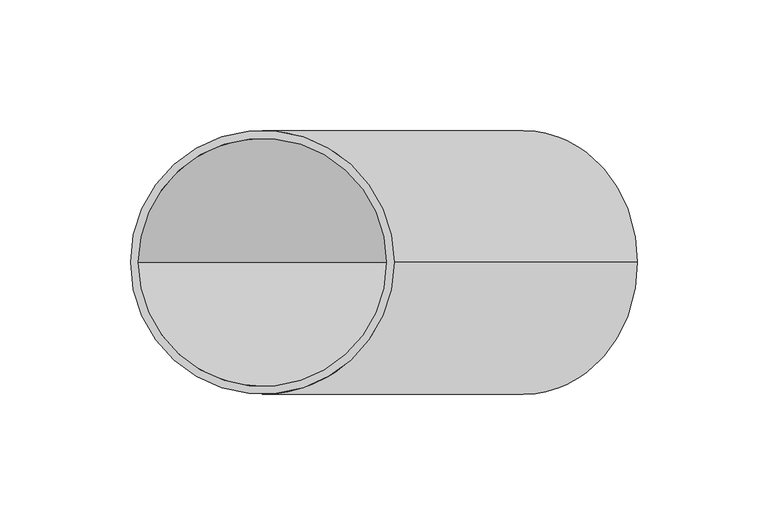
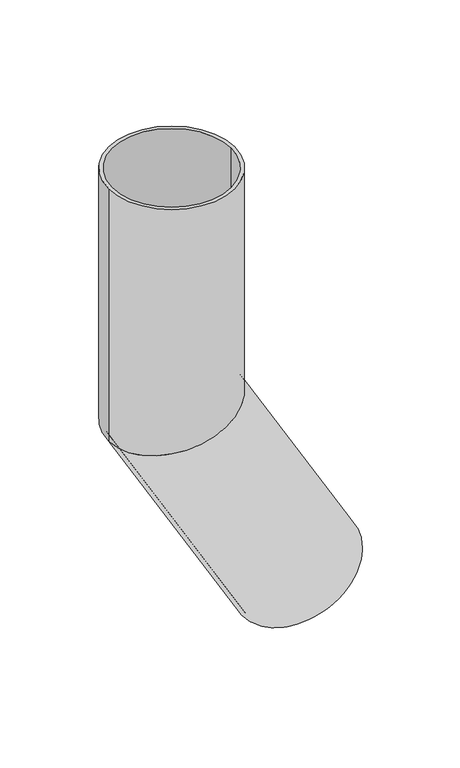
"""IFC4 building model written with IfcOpenShell, lengths in millimetres: beam geometry."""

import ifcopenshell
import ifcopenshell.guid

model = None  # the IFC model being written
_history = None  # IfcOwnerHistory: only IFC2X3 demands one
_inside = {}  # id of a spatial element -> (the spatial element, [elements in it])
_under = {}  # id of a project, library or spatial element -> (it, [spatial elements below it])
_declared = {}  # id of a project -> (the project, [libraries it declares])
_typed = {}  # id of a type object -> (the type object, [elements of that type])
_made_of = {}  # id of a material, layer set ... -> (it, [elements and type objects made of it])


def new_model(schema):
    """Start an empty IFC model of exactly this schema.

    Asked for "IFC4X3", IfcOpenShell would pick the latest addendum, in which some entities
    have other attributes; the version numbers below select the first issue.
    IFC2X3 requires an IfcOwnerHistory on every rooted entity: one is made here for all.
    """
    global model, _history
    if schema == "IFC4X3":
        model = ifcopenshell.file(schema_version=(4, 3, 0, 0))
    else:
        model = ifcopenshell.file(schema=schema)
    _inside.clear()
    _under.clear()
    _declared.clear()
    _typed.clear()
    _made_of.clear()
    _history = None
    if model.schema == "IFC2X3":
        org = make("IfcOrganization", Name="unknown")
        user = make(
            "IfcPersonAndOrganization",
            ThePerson=make("IfcPerson", FamilyName="unknown"),
            TheOrganization=org,
        )
        app = make(
            "IfcApplication",
            ApplicationDeveloper=org,
            Version="unknown",
            ApplicationFullName="unknown",
            ApplicationIdentifier="unknown",
        )
        _history = make(
            "IfcOwnerHistory",
            OwningUser=user,
            OwningApplication=app,
            ChangeAction="ADDED",
            CreationDate=0,
        )
    return model


def make(cls, **values):
    """One entity of the class cls with the attributes given. An attribute that is None is left unset."""
    return model.create_entity(
        cls, **{name: value for name, value in values.items() if value is not None}
    )


def rooted(cls, **values):
    """An entity with a GlobalId (a new one), such as an element, a storey or a relation."""
    return make(cls, GlobalId=ifcopenshell.guid.new(), OwnerHistory=_history, **values)


def si_unit(unit_type, name, prefix=None):
    """IfcSIUnit, for example si_unit("LENGTHUNIT", "METRE", prefix="MILLI")."""
    return make("IfcSIUnit", UnitType=unit_type, Prefix=prefix, Name=name)


def assignment(units):
    """IfcUnitAssignment: the units of a project."""
    return None if units is None else make("IfcUnitAssignment", Units=units)


def point(xyz):
    """IfcCartesianPoint."""
    return None if xyz is None else make("IfcCartesianPoint", Coordinates=xyz)


def direction(xyz):
    """IfcDirection."""
    return None if xyz is None else make("IfcDirection", DirectionRatios=xyz)


def frame(location, z_axis=None, x_axis=None):
    """IfcAxis2Placement3D, a coordinate frame: its origin and axes. An axis left out is left unset."""
    return make(
        "IfcAxis2Placement3D",
        Location=point(location),
        Axis=direction(z_axis),
        RefDirection=direction(x_axis),
    )


def origin():
    """The frame at (0, 0, 0) with its axes left unset."""
    return frame((0.0, 0.0, 0.0))


def place(relative_to, where):
    """IfcLocalPlacement: puts the frame where relative to a parent placement (None: the world)."""
    return make(
        "IfcLocalPlacement", PlacementRelTo=relative_to, RelativePlacement=where
    )


def context(
    kind, dimensions, precision=None, world=None, true_north=None, identifier=None
):
    """IfcGeometricRepresentationContext, for example the 3D "Model" context."""
    return make(
        "IfcGeometricRepresentationContext",
        ContextIdentifier=identifier,
        ContextType=kind,
        CoordinateSpaceDimension=dimensions,
        Precision=precision,
        WorldCoordinateSystem=world,
        TrueNorth=true_north,
    )


def project(units=None, contexts=None):
    """IfcProject with its units and contexts."""
    return rooted(
        "IfcProject",
        Name="project",
        RepresentationContexts=contexts,
        UnitsInContext=assignment(units),
    )


def spatial(cls, under=None, at=None, **own):
    """A site, building, storey or space (cls), placed at a placement, below another one or the project."""
    s = rooted(cls, ObjectPlacement=at, **own)
    if under is not None:
        _under.setdefault(under.id(), (under, []))[1].append(s)
    return s


def polyline(points):
    """IfcPolyline through the points."""
    return make("IfcPolyline", Points=[point(p) for p in points])


def circle_curve(where, radius):
    """IfcCircle in the frame where."""
    return make("IfcCircle", Position=where, Radius=radius)


def ellipse_curve(where, semi_axis1, semi_axis2):
    """IfcEllipse in the frame where."""
    return make(
        "IfcEllipse", Position=where, SemiAxis1=semi_axis1, SemiAxis2=semi_axis2
    )


def shape(context_of_items, identifier, shape_type, items):
    """IfcShapeRepresentation: the items that make up one representation, for example the "Body"."""
    return make(
        "IfcShapeRepresentation",
        ContextOfItems=context_of_items,
        RepresentationIdentifier=identifier,
        RepresentationType=shape_type,
        Items=items,
    )


def source(mapping_origin, context_of_items, identifier, shape_type, items):
    """IfcRepresentationMap: a shape defined once, which mapped items show again and again."""
    return make(
        "IfcRepresentationMap",
        MappingOrigin=mapping_origin,
        MappedRepresentation=shape(context_of_items, identifier, shape_type, items),
    )


def transform(
    local_origin,
    x_axis=None,
    y_axis=None,
    z_axis=None,
    scale=None,
    scale2=None,
    scale3=None,
    uniform=True,
):
    """IfcCartesianTransformationOperator3D, or its non-uniform kind. x_axis, y_axis, z_axis: its Axis1, 2, 3."""
    if uniform:
        return make(
            "IfcCartesianTransformationOperator3D",
            Axis1=direction(x_axis),
            Axis2=direction(y_axis),
            LocalOrigin=point(local_origin),
            Scale=scale,
            Axis3=direction(z_axis),
        )
    return make(
        "IfcCartesianTransformationOperator3DnonUniform",
        Axis1=direction(x_axis),
        Axis2=direction(y_axis),
        LocalOrigin=point(local_origin),
        Scale=scale,
        Axis3=direction(z_axis),
        Scale2=scale2,
        Scale3=scale3,
    )


def mapped(mapping_source, mapping_target):
    """IfcMappedItem: shows the shape of a source again, moved by a transform."""
    return make(
        "IfcMappedItem", MappingSource=mapping_source, MappingTarget=mapping_target
    )


def made_of(thing, what):
    """Note that an element or type object is made of a material, layer set ...; save() writes the relation."""
    if what is not None:
        _made_of.setdefault(what.id(), (what, []))[1].append(thing)
    return thing


def element(
    cls,
    number,
    at=None,
    inside=None,
    cuts=None,
    type_object=None,
    material=None,
    context=None,
    identifier="Body",
    shape_type=None,
    held_by="IfcProductDefinitionShape",
    body=None,
    shapes=None,
    **own,
):
    """One element of the class cls, such as IfcWall. Its Tag is "e" and its number.

    at: its placement. inside: the storey or other place that contains it. cuts: it is an
    opening in that element (IfcRelVoidsElement). A single representation is given by context,
    identifier, shape_type and body (its items); several are given by shapes. held_by: the class
    of the entity that holds the representations. save() writes the other relations.
    """
    e = rooted(cls, Tag="e%d" % number, ObjectPlacement=at, **own)
    if body is not None:
        shapes = [shape(context, identifier, shape_type, body)]
    if shapes is not None:
        e.Representation = make(held_by, Representations=shapes)
    if inside is not None:
        _inside.setdefault(inside.id(), (inside, []))[1].append(e)
    if cuts is not None:
        rooted(
            "IfcRelVoidsElement", RelatingBuildingElement=cuts, RelatedOpeningElement=e
        )
    if type_object is not None:
        _typed.setdefault(type_object.id(), (type_object, []))[1].append(e)
    return made_of(e, material)


def aggregate(whole, parts):
    """IfcRelAggregates: a whole, such as a stair, and the parts it consists of."""
    return rooted("IfcRelAggregates", RelatingObject=whole, RelatedObjects=parts)


def save(model, path):
    """Write the relations noted so far, then the file.

    IfcRelAggregates (storeys below a building ...), IfcRelContainedInSpatialStructure (elements
    in a storey), IfcRelDefinesByType, IfcRelAssociatesMaterial and IfcRelDeclares: one each for
    every whole, place, type object, material and project.
    """
    for whole, parts in _under.values():
        aggregate(whole, parts)
    for where, things in _inside.values():
        rooted(
            "IfcRelContainedInSpatialStructure",
            RelatedElements=things,
            RelatingStructure=where,
        )
    for kind, things in _typed.values():
        rooted("IfcRelDefinesByType", RelatedObjects=things, RelatingType=kind)
    for what, things in _made_of.values():
        rooted("IfcRelAssociatesMaterial", RelatedObjects=things, RelatingMaterial=what)
    for by, libraries in _declared.values():
        rooted("IfcRelDeclares", RelatingContext=by, RelatedDefinitions=libraries)
    model.write(path)


def plane_surface(at):
    """IfcPlane: the flat surface through the origin of the frame at, square to its z axis."""
    return make("IfcPlane", Position=at)


def cylinder_surface(at, radius):
    """IfcCylindricalSurface: all points at the distance radius from the z axis of the frame at."""
    return make("IfcCylindricalSurface", Position=at, Radius=radius)


def revolved_surface(curve, axis_point, axis_direction):
    """IfcSurfaceOfRevolution: the curve turned about the line through axis_point along axis_direction."""
    return make(
        "IfcSurfaceOfRevolution",
        SweptCurve=make("IfcArbitraryOpenProfileDef", ProfileType="CURVE", Curve=curve),
        AxisPosition=make("IfcAxis1Placement", Location=point(axis_point), Axis=direction(axis_direction)),
    )


def advanced_brep(points, edges, surfaces, faces):
    """IfcAdvancedBrep: a solid bounded by faces that lie on surfaces and meet in shared edges.

    An edge is (start, end): straight between two places in points (the first is 0);
    or (start, end, curve); or (start, end, curve, False) where it runs against its curve.
    A face is (place in surfaces, loops), or (place, loops, False) where it looks against
    its surface's normal. A loop lists edges by number (the first is 1), with a minus sign
    where the edge is run from its end to its start. The first loop is the outer one.
    """
    corners = [point(p) for p in points]
    vertices = [make("IfcVertexPoint", VertexGeometry=c) for c in corners]
    made = []
    for start, end, *more in edges:
        made.append(
            make(
                "IfcEdgeCurve",
                EdgeStart=vertices[start],
                EdgeEnd=vertices[end],
                EdgeGeometry=more[0] if more else make("IfcPolyline", Points=[corners[start], corners[end]]),
                SameSense=more[1] if len(more) > 1 else True,
            )
        )
    hull = []
    for where, loops, *sense in faces:
        bounds = []
        for j, loop in enumerate(loops):
            ring = [make("IfcOrientedEdge", EdgeElement=made[abs(k) - 1], Orientation=k > 0) for k in loop]
            bounds.append(
                make(
                    "IfcFaceOuterBound" if j == 0 else "IfcFaceBound",
                    Bound=make("IfcEdgeLoop", EdgeList=ring),
                    Orientation=True,
                )
            )
        hull.append(make("IfcAdvancedFace", Bounds=bounds, FaceSurface=surfaces[where], SameSense=sense[0] if sense else True))
    return make("IfcAdvancedBrep", Outer=make("IfcClosedShell", CfsFaces=hull))


def beam_6083e6e4(model_context):
    return source(origin(), model_context, "Body", "AdvancedBrep", [
        advanced_brep(
        [(143.7342829, 0.0, -347.9550808), (56.2657171, 0.0, -398.4550808), (141.1362067, 0.0, -349.4550808), (58.8637933, 0.0, -396.9550808), (50.5, 0.0, 0.0), (-50.5, 0.0, 0.0), (47.5, 0.0, 0.0), (-47.5, 0.0, 0.0), (47.5, 0.0, -187.2724134), (0.0, -47.5, -200.0), (-47.5, 0.0, -212.7275866), (0.0, 47.5, -200.0), (50.5, 0.0, -186.4685658), (-50.5, 0.0, -213.5314342)],
        [
            (0, 1, circle_curve(frame((100.0, 0.0, -373.2050808), z_axis=(0.5000000000000633, 0.0, -0.8660254037844022), x_axis=(-0.8660254037844022, 0.0, -0.5000000000000633)), 50.5)),
            (1, 0, circle_curve(frame((100.0, 0.0, -373.2050808), z_axis=(0.5000000000000633, 0.0, -0.8660254037844022), x_axis=(-0.8660254037844022, 0.0, -0.5000000000000633)), 50.5)),
            (2, 3, circle_curve(frame((100.0, 0.0, -373.2050808), z_axis=(-0.5000000000000633, 0.0, 0.8660254037844022), x_axis=(-0.8660254037844022, 0.0, -0.5000000000000633)), 47.5)),
            (3, 2, circle_curve(frame((100.0, 0.0, -373.2050808), z_axis=(-0.5000000000000633, 0.0, 0.8660254037844022), x_axis=(-0.8660254037844022, 0.0, -0.5000000000000633)), 47.5)),
            (4, 5, circle_curve(frame((0.0, 0.0, 0.0), z_axis=(0.0, 0.0, 1.0), x_axis=(-1.0, 0.0, 0.0)), 50.5)),
            (5, 4, circle_curve(frame((0.0, 0.0, 0.0), z_axis=(0.0, 0.0, 1.0), x_axis=(-1.0, 0.0, 0.0)), 50.5)),
            (6, 7, circle_curve(frame((0.0, 0.0, 0.0), z_axis=(0.0, 0.0, -1.0), x_axis=(-1.0, 0.0, 0.0)), 47.5)),
            (7, 6, circle_curve(frame((0.0, 0.0, 0.0), z_axis=(0.0, 0.0, -1.0), x_axis=(-1.0, 0.0, 0.0)), 47.5)),
            (6, 8),
            (8, 9, ellipse_curve(frame((0.0, 0.0, -200.0), z_axis=(0.25881904510255604, 0.0, -0.9659258262890589), x_axis=(0.9659258262890589, 0.0, 0.25881904510255593)), 49.1756186, 47.5)),
            (9, 10, ellipse_curve(frame((0.0, 0.0, -200.0), z_axis=(0.25881904510255604, 0.0, -0.9659258262890589), x_axis=(0.9659258262890589, 0.0, 0.25881904510255593)), 49.1756186, 47.5)),
            (10, 7),
            (10, 11, ellipse_curve(frame((0.0, 0.0, -200.0), z_axis=(0.25881904510255604, 0.0, -0.9659258262890589), x_axis=(0.9659258262890589, 0.0, 0.25881904510255593)), 49.1756186, 47.5)),
            (11, 8, ellipse_curve(frame((0.0, 0.0, -200.0), z_axis=(0.25881904510255604, 0.0, -0.9659258262890589), x_axis=(0.9659258262890589, 0.0, 0.25881904510255593)), 49.1756186, 47.5)),
            (4, 12),
            (12, 13, ellipse_curve(frame((0.0, 0.0, -200.0), z_axis=(-0.25881904510255604, 0.0, 0.9659258262890589), x_axis=(-0.9659258262890589, 0.0, -0.25881904510255593)), 52.2814471, 50.5)),
            (13, 5),
            (13, 12, ellipse_curve(frame((0.0, 0.0, -200.0), z_axis=(-0.25881904510255604, 0.0, 0.9659258262890589), x_axis=(-0.9659258262890589, 0.0, -0.25881904510255593)), 52.2814471, 50.5)),
            (2, 8),
            (10, 3),
            (0, 12),
            (13, 1),
        ],
        [
            plane_surface(frame((100.0, 0.0, -373.2050808), z_axis=(0.5000000000000633, 0.0, -0.8660254037844022), x_axis=(0.0, -1.0, 0.0))),
            plane_surface(frame((0.0, 0.0, 0.0), z_axis=(0.0, 0.0, 1.0), x_axis=(0.0, -1.0, 0.0))),
            revolved_surface(polyline([(-47.5, 0.0, 0.0), (-47.5, 0.0, -212.72758664837949)]), (0.0, 0.0, -200.0), (0.0, 0.0, 1.0)),
            cylinder_surface(frame((0.0, 0.0, -200.0), z_axis=(0.0, 0.0, -1.0), x_axis=(-1.0, 0.0, 0.0)), 50.5),
            revolved_surface(polyline([(-47.500000036209265, 0.0, -212.7275866209054), (58.863793325302424, 0.0, -396.9550808087699)]), (100.0, 0.0, -373.2050808), (-0.5000000000000633, 0.0, 0.8660254037844022)),
            cylinder_surface(frame((100.0, 0.0, -373.2050808), z_axis=(0.5000000000000633, 0.0, -0.8660254037844022), x_axis=(-0.8660254037844022, 0.0, -0.5000000000000633)), 50.5),
        ],
        [
            (0, [[1, 2], [3, 4]]),
            (1, [[5, 6], [7, 8]]),
            (2, [[-7, 9, 10, 11, 12]]),
            (2, [[-8, -12, 13, 14, -9]]),
            (3, [[-5, 15, 16, 17]]),
            (3, [[-6, -17, 18, -15]]),
            (4, [[-3, 19, -14, -13, 20]]),
            (4, [[-4, -20, -11, -10, -19]]),
            (5, [[-1, 21, -18, 22]]),
            (5, [[-2, -22, -16, -21]]),
        ],
    ),
    ])


if __name__ == "__main__":
    model = new_model("IFC4")
    model_context = context("Model", 3, world=origin())
    ifc_project = project(units=[si_unit("LENGTHUNIT", "METRE", prefix="MILLI")], contexts=[model_context])
    site = spatial("IfcSite", under=ifc_project)
    building = spatial("IfcBuilding", under=site)
    placement = place(None, origin())
    beam_shape = beam_6083e6e4(model_context)
    element("IfcBeam", 1, at=placement, inside=building, context=model_context, shape_type="MappedRepresentation", body=[
        mapped(beam_shape, transform((0.0, 0.0, 0.0), x_axis=(1.0, 0.0, 0.0), y_axis=(0.0, 1.0, 0.0), z_axis=(0.0, 0.0, 1.0))),
    ])
    save(model, "model.ifc")
